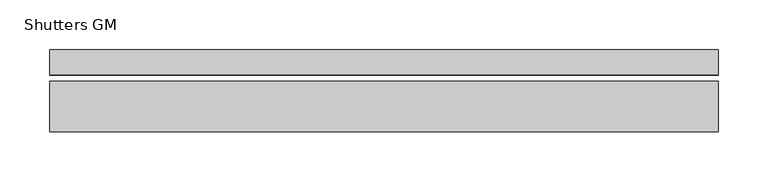
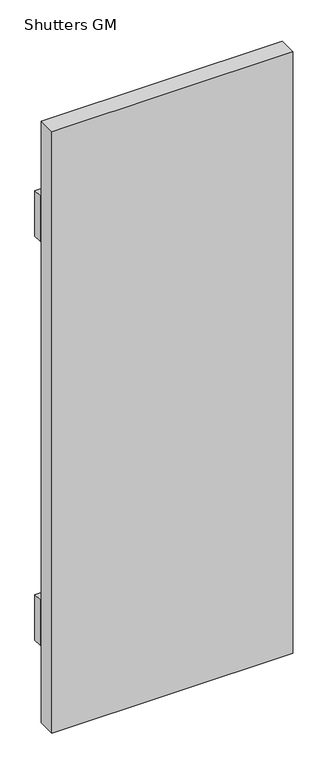
"""IFC4 building model written with IfcOpenShell, lengths in millimetres: proxy geometry, Shutters GM."""

from ifc_helpers import new_model, si_unit, frame, origin, place, context, project, spatial, polyline, outline, extrude, source, transform, mapped, element, save


def shutters_gm_f1179b3c(model_context):
    return source(origin(), model_context, "Body", "SweptSolid", [
        extrude(outline(polyline([(-336.55, 152.4), (336.55, 152.4), (336.55, 127.0), (-336.55, 127.0), (-336.55, 152.4)])), frame((0.0, 0.0, 1268.4924), z_axis=(0.0, 0.0, 1.0), x_axis=(1.0, 0.0, 0.0)), (0.0, 0.0, 1.0), 134.62),
        extrude(outline(polyline([(-336.55, 152.4), (336.55, 152.4), (336.55, 127.0), (-336.55, 127.0), (-336.55, 152.4)])), frame((0.0, 0.0, 2463.1390667), z_axis=(0.0, 0.0, 1.0), x_axis=(1.0, 0.0, 0.0)), (0.0, 0.0, 1.0), 134.62),
        extrude(outline(polyline([(336.55, 69.85), (-336.55, 69.85), (-336.55, 120.65), (336.55, 120.65), (336.55, 69.85)])), frame((0.0, 0.0, 1044.1257333), z_axis=(0.0, 0.0, 1.0), x_axis=(1.0, 0.0, 0.0)), (0.0, 0.0, 1.0), 1778.0),
    ])


if __name__ == "__main__":
    model = new_model("IFC4")
    model_context = context("Model", 3, world=origin())
    ifc_project = project(units=[si_unit("LENGTHUNIT", "METRE", prefix="MILLI")], contexts=[model_context])
    site = spatial("IfcSite", under=ifc_project)
    building = spatial("IfcBuilding", under=site)
    placement = place(None, origin())
    shutters_gm_shape = shutters_gm_f1179b3c(model_context)
    element("IfcBuildingElementProxy", 1, Name="Shutters GM", ObjectType="Shutters GM", at=placement, inside=building, context=model_context, shape_type="MappedRepresentation", body=[
        mapped(shutters_gm_shape, transform((0.0, 0.0, 0.0), x_axis=(1.0, 0.0, 0.0), y_axis=(0.0, 1.0, 0.0), z_axis=(0.0, 0.0, 1.0))),
    ])
    save(model, "model.ifc")
